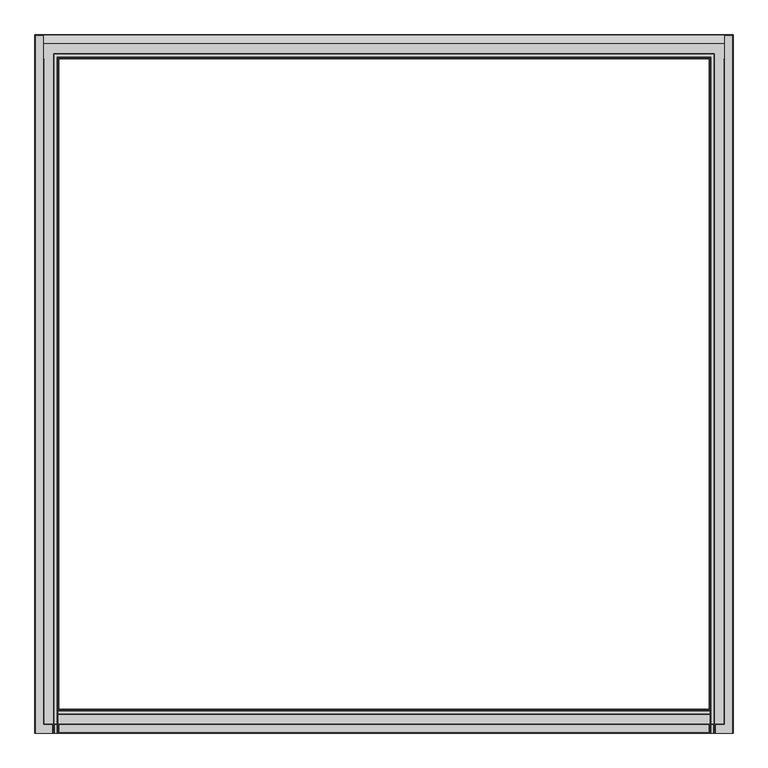
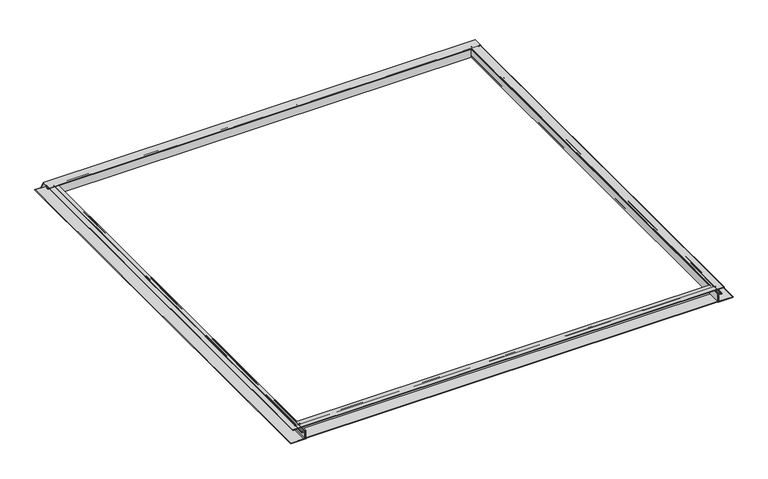
"""IFC4 building model written with IfcOpenShell, lengths in millimetres: fastener geometry."""

from ifc_helpers import new_model, si_unit, point, frame, frame_2d, origin, place, context, project, spatial, polyline, circle_curve, ellipse_curve, trimmed, segment, composite_curve, outline, extrude, source, transform, mapped, element, save
from ifc_brep_helpers import plane_surface, cylinder_surface, revolved_surface, advanced_brep


def fastener_543460bf(model_context):
    return source(origin(), model_context, "Body", "SolidModel", [
        advanced_brep(
        [(-1189.1053092, 1141.2343456, -2.667), (-1189.1053092, 1135.3165, -2.667), (-1189.1053092, 1135.3165, -1.3335), (-1189.1053092, 1135.3165, 0.0), (-1189.1053092, 1190.6451024, 0.0), (-1189.1053092, 1217.7515464, -46.9497383), (-1189.1053092, 1215.4418567, -48.2832383), (-1189.1053092, 1189.1053092, -2.667), (-1189.1053092, 1161.8308783, -2.667), (-1189.1053092, 1159.573508, -4.9243702), (-1189.1053092, 1159.573508, -14.2617849), (-1189.1053092, 1149.6719492, -14.2617849), (-1189.1053092, 1149.6719492, -12.2646442), (-1189.1053092, 1150.5032605, -12.2646442), (-1189.1053092, 1151.5117177, -11.256187), (-1189.1053092, 1151.5117177, -9.3645413), (-1189.1053092, 1156.2117258, -9.3645413), (-1189.1053092, 1156.2117258, -2.667), (-1189.1053092, 1152.1178999, -2.667), (-1189.1053092, 1151.9131963, -4.7080293), (-1189.1053092, 1152.9812344, -5.7760674), (-1189.1053092, 1152.5091166, -6.6975413), (-1189.1053092, 1140.8431289, -6.6975413), (-1189.1053092, 1140.3710112, -5.7760674), (-1189.1053092, 1141.4390493, -4.7080293), (1189.1053092, 1141.2343456, -2.667), (1189.1053092, 1141.4390493, -4.7080293), (1189.1053092, 1140.3710112, -5.7760674), (1189.1053092, 1140.8431289, -6.6975413), (1189.1053092, 1152.5091166, -6.6975413), (1189.1053092, 1152.9812344, -5.7760674), (1189.1053092, 1151.9131963, -4.7080293), (1189.1053092, 1152.1178999, -2.667), (1189.1053092, 1156.2117258, -2.667), (1189.1053092, 1156.2117258, -9.3645413), (1189.1053092, 1151.5117177, -9.3645413), (1189.1053092, 1151.5117177, -11.256187), (1189.1053092, 1150.5032605, -12.2646442), (1189.1053092, 1149.6719492, -12.2646442), (1189.1053092, 1149.6719492, -14.2617849), (1189.1053092, 1159.573508, -14.2617849), (1189.1053092, 1159.573508, -4.9243702), (1189.1053092, 1161.8308783, -2.667), (1189.1053092, 1189.1053092, -2.667), (1189.1053092, 1215.4418567, -48.2832383), (1189.1053092, 1217.7515464, -46.9497383), (1189.1053092, 1190.6451024, 0.0), (1189.1053092, 1135.3165, 0.0), (1189.1053092, 1135.3165, -1.3335), (1189.1053092, 1135.3165, -2.667), (1187.7718092, 1135.3165, -2.667), (1187.7718092, -1187.7718092, -2.667), (-1187.7718092, -1187.7718092, -2.667), (-1187.7718092, 1135.3165, -2.667), (1135.3165, 1135.3165, -2.667), (-1135.3165, 1135.3165, -2.667), (-1135.3165, -1135.3165, -2.667), (1135.3165, -1135.3165, -2.667), (-1141.2160631, 1135.3165, -2.667), (-1152.1361825, 1135.3165, -2.667), (-1152.1361825, -1152.1361825, -2.667), (1152.1361825, -1152.1361825, -2.667), (1152.1361825, 1135.3165, -2.667), (1141.2160631, 1135.3165, -2.667), (1141.2160631, -1141.2160631, -2.667), (-1141.2160631, -1141.2160631, -2.667), (-1156.2117258, 1135.3165, -2.667), (-1161.8308783, 1135.3165, -2.667), (-1161.8308783, -1161.8308783, -2.667), (1161.8308783, -1161.8308783, -2.667), (1161.8308783, 1135.3165, -2.667), (1156.2117258, 1135.3165, -2.667), (1156.2117258, -1156.2117258, -2.667), (-1156.2117258, -1156.2117258, -2.667), (-1187.7718092, 1135.3165, 0.0), (1187.7718092, 1135.3165, 0.0), (1135.3165, 1135.3165, 0.0), (-1135.3165, 1135.3165, 0.0), (-1187.7718092, -1187.7718092, 0.0), (1187.7718092, -1187.7718092, 0.0), (1135.3165, -1135.3165, 0.0), (-1135.3165, -1135.3165, 0.0), (-1141.4390493, 1135.3165, -4.7199355), (-1140.3710112, 1135.3165, -5.7879736), (-1140.8431289, 1135.3165, -6.7094475), (-1152.5091166, 1135.3165, -6.7094475), (-1152.9812344, 1135.3165, -5.7879736), (-1151.9131963, 1135.3165, -4.7199355), (-1156.2117258, 1135.3165, -9.3764475), (-1151.5117177, 1135.3165, -9.3764475), (-1151.5117177, 1135.3165, -11.2680933), (-1150.5032605, 1135.3165, -12.2765504), (-1149.6719492, 1135.3165, -12.2765504), (-1149.6719492, 1135.3165, -14.2617849), (-1159.573508, 1135.3165, -14.2617849), (-1159.573508, 1135.3165, -4.9243702), (-1141.4390493, -1141.4390493, -4.7199355), (-1140.3710112, -1140.3710112, -5.7879736), (-1140.8431289, -1140.8431289, -6.7094475), (1140.8431289, -1140.8431289, -6.7094475), (1140.8431289, 1135.3165, -6.7094475), (1152.5091166, 1135.3165, -6.7094475), (1152.5091166, -1152.5091166, -6.7094475), (-1152.5091166, -1152.5091166, -6.7094475), (-1152.9812344, -1152.9812344, -5.7879736), (-1151.9131963, -1151.9131963, -4.7199355), (-1156.2117258, -1156.2117258, -9.3764475), (1156.2117258, -1156.2117258, -9.3764475), (1156.2117258, 1135.3165, -9.3764475), (1151.5117177, 1135.3165, -9.3764475), (1151.5117177, -1151.5117177, -9.3764475), (-1151.5117177, -1151.5117177, -9.3764475), (-1151.5117177, -1151.5117177, -11.2680933), (-1150.5032605, -1150.5032605, -12.2765504), (1150.5032605, -1150.5032605, -12.2765504), (1150.5032605, 1135.3165, -12.2765504), (1149.6719492, 1135.3165, -12.2765504), (1149.6719492, -1149.6719492, -12.2765504), (-1149.6719492, -1149.6719492, -12.2765504), (-1149.6719492, -1149.6719492, -14.2617849), (1149.6719492, -1149.6719492, -14.2617849), (1149.6719492, 1135.3165, -14.2617849), (1159.573508, 1135.3165, -14.2617849), (1159.573508, -1159.573508, -14.2617849), (-1159.573508, -1159.573508, -14.2617849), (-1159.573508, -1159.573508, -4.9243702), (1141.4390493, -1141.4390493, -4.7199355), (1140.3710112, -1140.3710112, -5.7879736), (1152.9812344, -1152.9812344, -5.7879736), (1151.9131963, -1151.9131963, -4.7199355), (1151.5117177, -1151.5117177, -11.2680933), (1159.573508, -1159.573508, -4.9243702), (1140.3710112, 1135.3165, -5.7879736), (1141.4390493, 1135.3165, -4.7199355), (1151.9131963, 1135.3165, -4.7199355), (1152.9812344, 1135.3165, -5.7879736), (1159.573508, 1135.3165, -4.9243702), (1151.5117177, 1135.3165, -11.2680933)],
        [
            (0, 1),
            (1, 2),
            (2, 3),
            (3, 4),
            (4, 5),
            (5, 6),
            (6, 7),
            (7, 8),
            (8, 9, circle_curve(frame((-1189.1053092, 1161.8308783, -4.9243702), z_axis=(1.0, 0.0, 0.0), x_axis=(0.0, 1.0, 0.0)), 2.2573702)),
            (9, 10),
            (10, 11),
            (11, 12, circle_curve(frame((-1189.1053092, 1149.6719492, -13.2632145), z_axis=(-1.0, 0.0, 0.0), x_axis=(0.0, 1.0, 0.0)), 0.9985703)),
            (12, 13),
            (13, 14, circle_curve(frame((-1189.1053092, 1150.5032605, -11.256187), z_axis=(1.0, 0.0, 0.0), x_axis=(0.0, 1.0, 0.0)), 1.0084572)),
            (14, 15),
            (15, 16),
            (16, 17),
            (17, 18),
            (18, 19, circle_curve(frame((-1189.1053092, 1152.8500183, -3.7712073), z_axis=(1.0, 0.0, 0.0), x_axis=(0.0, 1.0, 0.0)), 1.3248664)),
            (19, 20),
            (20, 21, circle_curve(frame((-1189.1053092, 1152.5091166, -6.1158594), z_axis=(-1.0, 0.0, 0.0), x_axis=(0.0, 1.0, 0.0)), 0.5816819)),
            (21, 22),
            (22, 23, circle_curve(frame((-1189.1053092, 1140.8431289, -6.1158594), z_axis=(-1.0, 0.0, 0.0), x_axis=(0.0, 1.0, 0.0)), 0.5816819)),
            (23, 24),
            (24, 0, circle_curve(frame((-1189.1053092, 1140.5022273, -3.7712073), z_axis=(1.0, 0.0, 0.0), x_axis=(0.0, 1.0, 0.0)), 1.3248664)),
            (25, 26, circle_curve(frame((1189.1053092, 1140.5022273, -3.7712073), z_axis=(-1.0, 0.0, 0.0), x_axis=(0.0, 1.0, 0.0)), 1.3248664)),
            (26, 27),
            (27, 28, circle_curve(frame((1189.1053092, 1140.8431289, -6.1158594), z_axis=(1.0, 0.0, 0.0), x_axis=(0.0, 1.0, 0.0)), 0.5816819)),
            (28, 29),
            (29, 30, circle_curve(frame((1189.1053092, 1152.5091166, -6.1158594), z_axis=(1.0, 0.0, 0.0), x_axis=(0.0, 1.0, 0.0)), 0.5816819)),
            (30, 31),
            (31, 32, circle_curve(frame((1189.1053092, 1152.8500183, -3.7712073), z_axis=(-1.0, 0.0, 0.0), x_axis=(0.0, 1.0, 0.0)), 1.3248664)),
            (32, 33),
            (33, 34),
            (34, 35),
            (35, 36),
            (36, 37, circle_curve(frame((1189.1053092, 1150.5032605, -11.256187), z_axis=(-1.0, 0.0, 0.0), x_axis=(0.0, 1.0, 0.0)), 1.0084572)),
            (37, 38),
            (38, 39, circle_curve(frame((1189.1053092, 1149.6719492, -13.2632145), z_axis=(1.0, 0.0, 0.0), x_axis=(0.0, 1.0, 0.0)), 0.9985703)),
            (39, 40),
            (40, 41),
            (41, 42, circle_curve(frame((1189.1053092, 1161.8308783, -4.9243702), z_axis=(-1.0, 0.0, 0.0), x_axis=(0.0, 1.0, 0.0)), 2.2573702)),
            (42, 43),
            (43, 44),
            (44, 45),
            (45, 46),
            (46, 47),
            (47, 48),
            (48, 49),
            (49, 25),
            (0, 25),
            (49, 50),
            (50, 51),
            (51, 52),
            (52, 53),
            (53, 1),
            (54, 55),
            (55, 56),
            (56, 57),
            (57, 54),
            (58, 59),
            (59, 60),
            (60, 61),
            (61, 62),
            (62, 63),
            (63, 64),
            (64, 65),
            (65, 58),
            (66, 67),
            (67, 68),
            (68, 69),
            (69, 70),
            (70, 71),
            (71, 72),
            (72, 73),
            (73, 66),
            (53, 2, circle_curve(frame((-1187.7718092, 1135.3165, -1.3335), z_axis=(0.0, 1.0, 0.0), x_axis=(1.0, 0.0, 0.0)), 1.3335)),
            (2, 74, circle_curve(frame((-1187.7718092, 1135.3165, -1.3335), z_axis=(0.0, 1.0, 0.0), x_axis=(1.0, 0.0, 0.0)), 1.3335)),
            (74, 3),
            (47, 75),
            (75, 48, circle_curve(frame((1187.7718092, 1135.3165, -1.3335), z_axis=(0.0, 1.0, 0.0), x_axis=(-1.0, 0.0, 0.0)), 1.3335)),
            (48, 50, circle_curve(frame((1187.7718092, 1135.3165, -1.3335), z_axis=(0.0, 1.0, 0.0), x_axis=(-1.0, 0.0, 0.0)), 1.3335)),
            (54, 76),
            (76, 77),
            (77, 55),
            (74, 78),
            (78, 79),
            (79, 75),
            (46, 4),
            (76, 80),
            (80, 81),
            (81, 77),
            (45, 5),
            (44, 6),
            (43, 7),
            (42, 8),
            (41, 9),
            (40, 10),
            (39, 11),
            (38, 12),
            (37, 13),
            (36, 14),
            (35, 15),
            (34, 16),
            (33, 17),
            (32, 18),
            (19, 31),
            (30, 20),
            (29, 21),
            (28, 22),
            (27, 23),
            (26, 24),
            (58, 82, circle_curve(frame((-1140.5022273, 1135.3165, -3.7831135), z_axis=(0.0, -1.0, 0.0), x_axis=(1.0, 0.0, 0.0)), 1.3248664)),
            (82, 83),
            (83, 84, circle_curve(frame((-1140.8431289, 1135.3165, -6.1277656), z_axis=(0.0, 1.0, 0.0), x_axis=(1.0, 0.0, 0.0)), 0.5816819)),
            (84, 85),
            (85, 86, circle_curve(frame((-1152.5091166, 1135.3165, -6.1277656), z_axis=(0.0, 1.0, 0.0), x_axis=(1.0, 0.0, 0.0)), 0.5816819)),
            (86, 87),
            (87, 59, circle_curve(frame((-1152.8500183, 1135.3165, -3.7831135), z_axis=(0.0, -1.0, 0.0), x_axis=(1.0, 0.0, 0.0)), 1.3248664)),
            (66, 88),
            (88, 89),
            (89, 90),
            (90, 91, circle_curve(frame((-1150.5032605, 1135.3165, -11.2680933), z_axis=(0.0, -1.0, 0.0), x_axis=(1.0, 0.0, 0.0)), 1.0084572)),
            (91, 92),
            (92, 93, circle_curve(frame((-1149.6719492, 1135.3165, -13.2691676), z_axis=(0.0, 1.0, 0.0), x_axis=(1.0, 0.0, 0.0)), 0.9926172)),
            (93, 94),
            (94, 95),
            (95, 67, circle_curve(frame((-1161.8308783, 1135.3165, -4.9243702), z_axis=(0.0, -1.0, 0.0), x_axis=(1.0, 0.0, 0.0)), 2.2573702)),
            (65, 96, ellipse_curve(frame((-1140.5022273, -1140.5022273, -3.7831135), z_axis=(0.7071067811865475, -0.7071067811865475, 0.0), x_axis=(-0.7071067811865474, -0.7071067811865476, 0.0)), 1.873644, 1.3248664)),
            (96, 82),
            (96, 97),
            (97, 83),
            (97, 98, ellipse_curve(frame((-1140.8431289, -1140.8431289, -6.1277656), z_axis=(-0.7071067811865475, 0.7071067811865475, 0.0), x_axis=(0.7071067811865474, 0.7071067811865476, 0.0)), 0.8226224, 0.5816819)),
            (98, 84),
            (98, 99),
            (99, 100),
            (100, 101),
            (101, 102),
            (102, 103),
            (103, 85),
            (103, 104, ellipse_curve(frame((-1152.5091166, -1152.5091166, -6.1277656), z_axis=(-0.7071067811865475, 0.7071067811865475, 0.0), x_axis=(0.7071067811865474, 0.7071067811865476, 0.0)), 0.8226224, 0.5816819)),
            (104, 86),
            (104, 105),
            (105, 87),
            (105, 60, ellipse_curve(frame((-1152.8500183, -1152.8500183, -3.7831135), z_axis=(0.7071067811865475, -0.7071067811865475, 0.0), x_axis=(-0.7071067811865474, -0.7071067811865476, 0.0)), 1.873644, 1.3248664)),
            (73, 106),
            (106, 88),
            (106, 107),
            (107, 108),
            (108, 109),
            (109, 110),
            (110, 111),
            (111, 89),
            (111, 112),
            (112, 90),
            (112, 113, ellipse_curve(frame((-1150.5032605, -1150.5032605, -11.2680933), z_axis=(0.7071067811865475, -0.7071067811865475, 0.0), x_axis=(-0.7071067811865474, -0.7071067811865476, 0.0)), 1.4261738, 1.0084572)),
            (113, 91),
            (113, 114),
            (114, 115),
            (115, 116),
            (116, 117),
            (117, 118),
            (118, 92),
            (118, 119, ellipse_curve(frame((-1149.6719492, -1149.6719492, -13.2691676), z_axis=(-0.7071067811865475, 0.7071067811865475, 0.0), x_axis=(0.7071067811865474, 0.7071067811865476, 0.0)), 1.4037727, 0.9926172)),
            (119, 93),
            (119, 120),
            (120, 121),
            (121, 122),
            (122, 123),
            (123, 124),
            (124, 94),
            (124, 125),
            (125, 95),
            (125, 68, ellipse_curve(frame((-1161.8308783, -1161.8308783, -4.9243702), z_axis=(0.7071067811865475, -0.7071067811865475, 0.0), x_axis=(-0.7071067811865474, -0.7071067811865476, 0.0)), 3.1924036, 2.2573702)),
            (52, 78, ellipse_curve(frame((-1187.7718092, -1187.7718092, -1.3335), z_axis=(-0.7071067811865475, 0.7071067811865475, 0.0), x_axis=(0.7071067811865474, 0.7071067811865476, 0.0)), 1.8858538, 1.3335)),
            (81, 56),
            (64, 126, ellipse_curve(frame((1140.5022273, -1140.5022273, -3.7831135), z_axis=(0.7071067811865475, 0.7071067811865475, 0.0), x_axis=(0.7071067811865476, -0.7071067811865474, 0.0)), 1.873644, 1.3248664)),
            (126, 96),
            (126, 127),
            (127, 97),
            (127, 99, ellipse_curve(frame((1140.8431289, -1140.8431289, -6.1277656), z_axis=(-0.7071067811865475, -0.7071067811865475, 0.0), x_axis=(-0.7071067811865476, 0.7071067811865474, 0.0)), 0.8226224, 0.5816819)),
            (102, 128, ellipse_curve(frame((1152.5091166, -1152.5091166, -6.1277656), z_axis=(-0.7071067811865475, -0.7071067811865475, 0.0), x_axis=(-0.7071067811865476, 0.7071067811865474, 0.0)), 0.8226224, 0.5816819)),
            (128, 104),
            (128, 129),
            (129, 105),
            (129, 61, ellipse_curve(frame((1152.8500183, -1152.8500183, -3.7831135), z_axis=(0.7071067811865475, 0.7071067811865475, 0.0), x_axis=(0.7071067811865476, -0.7071067811865474, 0.0)), 1.873644, 1.3248664)),
            (72, 107),
            (110, 130),
            (130, 112),
            (130, 114, ellipse_curve(frame((1150.5032605, -1150.5032605, -11.2680933), z_axis=(0.7071067811865475, 0.7071067811865475, 0.0), x_axis=(0.7071067811865476, -0.7071067811865474, 0.0)), 1.4261738, 1.0084572)),
            (117, 120, ellipse_curve(frame((1149.6719492, -1149.6719492, -13.2691676), z_axis=(-0.7071067811865475, -0.7071067811865475, 0.0), x_axis=(-0.7071067811865476, 0.7071067811865474, 0.0)), 1.4037727, 0.9926172)),
            (123, 131),
            (131, 125),
            (131, 69, ellipse_curve(frame((1161.8308783, -1161.8308783, -4.9243702), z_axis=(0.7071067811865475, 0.7071067811865475, 0.0), x_axis=(0.7071067811865476, -0.7071067811865474, 0.0)), 3.1924036, 2.2573702)),
            (51, 79, ellipse_curve(frame((1187.7718092, -1187.7718092, -1.3335), z_axis=(-0.7071067811865475, -0.7071067811865475, 0.0), x_axis=(-0.7071067811865476, 0.7071067811865474, 0.0)), 1.8858538, 1.3335)),
            (80, 57),
            (100, 132, circle_curve(frame((1140.8431289, 1135.3165, -6.1277656), z_axis=(0.0, 1.0, 0.0), x_axis=(-1.0, 0.0, 0.0)), 0.5816819)),
            (132, 133),
            (133, 63, circle_curve(frame((1140.5022273, 1135.3165, -3.7831135), z_axis=(0.0, -1.0, 0.0), x_axis=(-1.0, 0.0, 0.0)), 1.3248664)),
            (62, 134, circle_curve(frame((1152.8500183, 1135.3165, -3.7831135), z_axis=(0.0, -1.0, 0.0), x_axis=(-1.0, 0.0, 0.0)), 1.3248664)),
            (134, 135),
            (135, 101, circle_curve(frame((1152.5091166, 1135.3165, -6.1277656), z_axis=(0.0, 1.0, 0.0), x_axis=(-1.0, 0.0, 0.0)), 0.5816819)),
            (108, 71),
            (70, 136, circle_curve(frame((1161.8308783, 1135.3165, -4.9243702), z_axis=(0.0, -1.0, 0.0), x_axis=(-1.0, 0.0, 0.0)), 2.2573702)),
            (136, 122),
            (121, 116, circle_curve(frame((1149.6719492, 1135.3165, -13.2691676), z_axis=(0.0, 1.0, 0.0), x_axis=(-1.0, 0.0, 0.0)), 0.9926172)),
            (115, 137, circle_curve(frame((1150.5032605, 1135.3165, -11.2680933), z_axis=(0.0, -1.0, 0.0), x_axis=(-1.0, 0.0, 0.0)), 1.0084572)),
            (137, 109),
            (133, 126),
            (132, 127),
            (135, 128),
            (134, 129),
            (137, 130),
            (136, 131),
        ],
        [
            plane_surface(frame((-1189.1053092, 1219.2, 0.0), z_axis=(-1.0, 0.0, 0.0), x_axis=(0.0, 0.0, 1.0))),
            plane_surface(frame((1189.1053092, 1219.2, 0.0), z_axis=(1.0, 0.0, 0.0), x_axis=(0.0, 0.0, 1.0))),
            plane_surface(frame((-1189.1053092, 1141.2343456, -2.667), z_axis=(0.0, 0.0, -1.0), x_axis=(1.0, 0.0, 0.0))),
            plane_surface(frame((-1189.1053092, 1135.3165, -2.667), z_axis=(0.0, -1.0, 0.0), x_axis=(1.0, 0.0, 0.0))),
            plane_surface(frame((-1189.1053092, 1135.3165, 0.0), z_axis=(0.0, 0.0, 1.0), x_axis=(1.0, 0.0, 0.0))),
            plane_surface(frame((-1189.1053092, 1190.6451024, 0.0), z_axis=(0.0, 0.8660254037844348, 0.5000000000000068), x_axis=(1.0, 0.0, 0.0))),
            plane_surface(frame((-1189.1053092, 1217.7515464, -46.9497383), z_axis=(0.0, 0.49999999999998035, -0.86602540378445), x_axis=(1.0, 0.0, 0.0))),
            plane_surface(frame((-1189.1053092, 1215.4418567, -48.2832383), z_axis=(0.0, -0.866025403784431, -0.5000000000000133), x_axis=(1.0, 0.0, 0.0))),
            plane_surface(frame((-1189.1053092, 1189.1053092, -2.667), z_axis=(0.0, 0.0, -1.0), x_axis=(1.0, 0.0, 0.0))),
            revolved_surface(polyline([(1189.1053092, 1164.0882485, -4.9243702), (-1189.1053092, 1164.0882485, -4.9243702)]), (-1189.1053092, 1161.8308783, -4.9243702), (1.0, 0.0, 0.0)),
            plane_surface(frame((-1189.1053092, 1159.573508, -4.9243702), z_axis=(0.0, 1.0, 0.0), x_axis=(1.0, 0.0, 0.0))),
            plane_surface(frame((-1189.1053092, 1159.573508, -14.2617849), z_axis=(0.0, 0.0, -1.0), x_axis=(1.0, 0.0, 0.0))),
            cylinder_surface(frame((-1189.1053092, 1149.6719492, -13.2632145), z_axis=(-1.0, 0.0, 0.0), x_axis=(0.0, 1.0, 0.0)), 0.9985703),
            plane_surface(frame((-1189.1053092, 1149.6719492, -12.2646442), z_axis=(0.0, 0.0, 1.0), x_axis=(1.0, 0.0, 0.0))),
            revolved_surface(polyline([(1189.1053092, 1151.5117177, -11.256187), (-1189.1053092, 1151.5117177, -11.256187)]), (-1189.1053092, 1150.5032605, -11.256187), (1.0, 0.0, 0.0)),
            plane_surface(frame((-1189.1053092, 1151.5117177, -11.256187), z_axis=(0.0, -1.0, 0.0), x_axis=(1.0, 0.0, 0.0))),
            plane_surface(frame((-1189.1053092, 1151.5117177, -9.3645413), z_axis=(0.0, 0.0, 1.0), x_axis=(1.0, 0.0, 0.0))),
            plane_surface(frame((-1189.1053092, 1156.2117258, -9.3645413), z_axis=(0.0, -1.0, 0.0), x_axis=(1.0, 0.0, 0.0))),
            plane_surface(frame((-1189.1053092, 1156.2117258, -2.667), z_axis=(0.0, 0.0, -1.0), x_axis=(1.0, 0.0, 0.0))),
            plane_surface(frame((-1189.1053092, 1151.9131963, -4.7080293), z_axis=(0.0, 0.7071067811859371, 0.7071067811871581), x_axis=(1.0, 0.0, 0.0))),
            cylinder_surface(frame((-1189.1053092, 1152.5091166, -6.1158594), z_axis=(-1.0, 0.0, 0.0), x_axis=(0.0, 1.0, 0.0)), 0.5816819),
            plane_surface(frame((-1189.1053092, 1152.5091166, -6.6975413), z_axis=(0.0, 0.0, -1.0), x_axis=(1.0, 0.0, 0.0))),
            cylinder_surface(frame((-1189.1053092, 1140.8431289, -6.1158594), z_axis=(-1.0, 0.0, 0.0), x_axis=(0.0, 1.0, 0.0)), 0.5816819),
            plane_surface(frame((-1189.1053092, 1140.3710112, -5.7760674), z_axis=(0.0, -0.7071067811859483, 0.7071067811871469), x_axis=(1.0, 0.0, 0.0))),
            revolved_surface(polyline([(1189.1053092, 1154.1748847000001, -3.7712073), (-1189.1053092, 1154.1748847000001, -3.7712073)]), (-1189.1053092, 1152.8500183, -3.7712073), (1.0, 0.0, 0.0)),
            revolved_surface(polyline([(1189.1053092, 1141.8270937, -3.7712073), (-1189.1053092, 1141.8270937, -3.7712073)]), (-1189.1053092, 1140.5022273, -3.7712073), (1.0, 0.0, 0.0)),
            plane_surface(frame((-1219.2, 1135.3165, 0.0), z_axis=(0.0, 1.0, 0.0), x_axis=(0.0, 0.0, 1.0))),
            revolved_surface(polyline([(-1139.1773609, -1141.8270936779295, -3.7831135), (-1139.1773609, 1135.3165, -3.7831135)]), (-1140.5022273, 1135.3165, -3.7831135), (0.0, -1.0, 0.0)),
            plane_surface(frame((-1141.4390493, 1135.3165, -4.7199355), z_axis=(0.7071067811858979, 0.0, 0.7071067811871973), x_axis=(0.0, -1.0, 0.0))),
            cylinder_surface(frame((-1140.8431289, 1135.3165, -6.1277656), z_axis=(0.0, 1.0, 0.0), x_axis=(1.0, 0.0, 0.0)), 0.5816819),
            plane_surface(frame((-1140.8431289, 1135.3165, -6.7094475), z_axis=(0.0, 0.0, -1.0), x_axis=(0.0, -1.0, 0.0))),
            cylinder_surface(frame((-1152.5091166, 1135.3165, -6.1277656), z_axis=(0.0, 1.0, 0.0), x_axis=(1.0, 0.0, 0.0)), 0.5816819),
            plane_surface(frame((-1152.9812344, 1135.3165, -5.7879736), z_axis=(-0.7071067811864243, 0.0, 0.7071067811866707), x_axis=(0.0, -1.0, 0.0))),
            revolved_surface(polyline([(-1151.5251519, -1154.1748846779296, -3.7831135), (-1151.5251519, 1135.3165, -3.7831135)]), (-1152.8500183, 1135.3165, -3.7831135), (0.0, -1.0, 0.0)),
            plane_surface(frame((-1156.2117258, 1135.3165, -2.667), z_axis=(1.0, 0.0, 0.0), x_axis=(0.0, -1.0, 0.0))),
            plane_surface(frame((-1156.2117258, 1135.3165, -9.3764475), z_axis=(0.0, 0.0, 1.0), x_axis=(0.0, -1.0, 0.0))),
            plane_surface(frame((-1151.5117177, 1135.3165, -9.3764475), z_axis=(1.0, 0.0, 0.0), x_axis=(0.0, -1.0, 0.0))),
            revolved_surface(polyline([(-1149.4948032999998, -1151.5117177000002, -11.2680933), (-1149.4948032999998, 1135.3165, -11.2680933)]), (-1150.5032605, 1135.3165, -11.2680933), (0.0, -1.0, 0.0)),
            plane_surface(frame((-1150.5032605, 1135.3165, -12.2765504), z_axis=(0.0, 0.0, 1.0), x_axis=(0.0, -1.0, 0.0))),
            cylinder_surface(frame((-1149.6719492, 1135.3165, -13.2691676), z_axis=(0.0, 1.0, 0.0), x_axis=(1.0, 0.0, 0.0)), 0.9926172),
            plane_surface(frame((-1149.6719492, 1135.3165, -14.2617849), z_axis=(0.0, 0.0, -1.0), x_axis=(0.0, -1.0, 0.0))),
            plane_surface(frame((-1159.573508, 1135.3165, -14.2617849), z_axis=(-1.0, 0.0, 0.0), x_axis=(0.0, -1.0, 0.0))),
            revolved_surface(polyline([(-1159.5735081, -1164.0882485338448, -4.9243702), (-1159.5735081, 1135.3165, -4.9243702)]), (-1161.8308783, 1135.3165, -4.9243702), (0.0, -1.0, 0.0)),
            cylinder_surface(frame((-1187.7718092, 1135.3165, -1.3335), z_axis=(0.0, 1.0, 0.0), x_axis=(1.0, 0.0, 0.0)), 1.3335),
            plane_surface(frame((-1135.3165, 1135.3165, 0.0), z_axis=(1.0, 0.0, 0.0), x_axis=(0.0, -1.0, 0.0))),
            revolved_surface(polyline([(1141.8270936779297, -1139.1773609, -3.7831135), (-1141.8270936779295, -1139.1773609, -3.7831135)]), (-1219.2, -1140.5022273, -3.7831135), (1.0, 0.0, 0.0)),
            plane_surface(frame((-1141.4390493, -1141.4390493, -4.7199355), z_axis=(0.0, 0.7071067811858979, 0.7071067811871973), x_axis=(1.0, 0.0, 0.0))),
            cylinder_surface(frame((-1219.2, -1140.8431289, -6.1277656), z_axis=(-1.0, 0.0, 0.0), x_axis=(0.0, 1.0, 0.0)), 0.5816819),
            cylinder_surface(frame((-1219.2, -1152.5091166, -6.1277656), z_axis=(-1.0, 0.0, 0.0), x_axis=(0.0, 1.0, 0.0)), 0.5816819),
            plane_surface(frame((-1152.9812344, -1152.9812344, -5.7879736), z_axis=(0.0, -0.7071067811864243, 0.7071067811866707), x_axis=(1.0, 0.0, 0.0))),
            revolved_surface(polyline([(1154.1748846779299, -1151.5251519, -3.7831135), (-1154.1748846779296, -1151.5251519, -3.7831135)]), (-1219.2, -1152.8500183, -3.7831135), (1.0, 0.0, 0.0)),
            plane_surface(frame((-1156.2117258, -1156.2117258, -2.667), z_axis=(0.0, 1.0, 0.0), x_axis=(1.0, 0.0, 0.0))),
            plane_surface(frame((-1151.5117177, -1151.5117177, -9.3764475), z_axis=(0.0, 1.0, 0.0), x_axis=(1.0, 0.0, 0.0))),
            revolved_surface(polyline([(1151.5117177, -1149.4948032999998, -11.2680933), (-1151.5117177, -1149.4948032999998, -11.2680933)]), (-1219.2, -1150.5032605, -11.2680933), (1.0, 0.0, 0.0)),
            cylinder_surface(frame((-1219.2, -1149.6719492, -13.2691676), z_axis=(-1.0, 0.0, 0.0), x_axis=(0.0, 1.0, 0.0)), 0.9926172),
            plane_surface(frame((-1159.573508, -1159.573508, -14.2617849), z_axis=(0.0, -1.0, 0.0), x_axis=(1.0, 0.0, 0.0))),
            revolved_surface(polyline([(1164.0882485338445, -1159.5735081, -4.9243702), (-1164.0882485338443, -1159.5735081, -4.9243702)]), (-1219.2, -1161.8308783, -4.9243702), (1.0, 0.0, 0.0)),
            cylinder_surface(frame((-1219.2, -1187.7718092, -1.3335), z_axis=(-1.0, 0.0, 0.0), x_axis=(0.0, 1.0, 0.0)), 1.3335),
            plane_surface(frame((-1135.3165, -1135.3165, 0.0), z_axis=(0.0, 1.0, 0.0), x_axis=(1.0, 0.0, 0.0))),
            plane_surface(frame((1219.2, 1135.3165, 0.0), z_axis=(0.0, 1.0, 0.0), x_axis=(0.0, 0.0, 1.0))),
            revolved_surface(polyline([(1139.1773609, 1135.3164999999997, -3.7831135), (1139.1773609, -1141.8270936779295, -3.7831135)]), (1140.5022273, -1219.2, -3.7831135), (0.0, 1.0, 0.0)),
            plane_surface(frame((1141.4390493, -1141.4390493, -4.7199355), z_axis=(-0.7071067811858979, 0.0, 0.7071067811871973), x_axis=(0.0, 1.0, 0.0))),
            cylinder_surface(frame((1140.8431289, -1219.2, -6.1277656), z_axis=(0.0, -1.0, 0.0), x_axis=(-1.0, 0.0, 0.0)), 0.5816819),
            cylinder_surface(frame((1152.5091166, -1219.2, -6.1277656), z_axis=(0.0, -1.0, 0.0), x_axis=(-1.0, 0.0, 0.0)), 0.5816819),
            plane_surface(frame((1152.9812344, -1152.9812344, -5.7879736), z_axis=(0.7071067811864243, 0.0, 0.7071067811866707), x_axis=(0.0, 1.0, 0.0))),
            revolved_surface(polyline([(1151.5251519, 1135.3164999999997, -3.7831135), (1151.5251519, -1154.1748846779296, -3.7831135)]), (1152.8500183, -1219.2, -3.7831135), (0.0, 1.0, 0.0)),
            plane_surface(frame((1156.2117258, -1156.2117258, -2.667), z_axis=(-1.0, 0.0, 0.0), x_axis=(0.0, 1.0, 0.0))),
            plane_surface(frame((1151.5117177, -1151.5117177, -9.3764475), z_axis=(-1.0, 0.0, 0.0), x_axis=(0.0, 1.0, 0.0))),
            revolved_surface(polyline([(1149.4948032999998, 1135.3164999999997, -11.2680933), (1149.4948032999998, -1151.5117177, -11.2680933)]), (1150.5032605, -1219.2, -11.2680933), (0.0, 1.0, 0.0)),
            cylinder_surface(frame((1149.6719492, -1219.2, -13.2691676), z_axis=(0.0, -1.0, 0.0), x_axis=(-1.0, 0.0, 0.0)), 0.9926172),
            plane_surface(frame((1159.573508, -1159.573508, -14.2617849), z_axis=(1.0, 0.0, 0.0), x_axis=(0.0, 1.0, 0.0))),
            revolved_surface(polyline([(1159.5735081, 1135.3164999999997, -4.9243702), (1159.5735081, -1164.0882485338443, -4.9243702)]), (1161.8308783, -1219.2, -4.9243702), (0.0, 1.0, 0.0)),
            cylinder_surface(frame((1187.7718092, -1219.2, -1.3335), z_axis=(0.0, -1.0, 0.0), x_axis=(-1.0, 0.0, 0.0)), 1.3335),
            plane_surface(frame((1135.3165, -1135.3165, 0.0), z_axis=(-1.0, 0.0, 0.0), x_axis=(0.0, 1.0, 0.0))),
        ],
        [
            (0, [[1, 2, 3, 4, 5, 6, 7, 8, 9, 10, 11, 12, 13, 14, 15, 16, 17, 18, 19, 20, 21, 22, 23, 24, 25]]),
            (1, [[26, 27, 28, 29, 30, 31, 32, 33, 34, 35, 36, 37, 38, 39, 40, 41, 42, 43, 44, 45, 46, 47, 48, 49, 50]]),
            (2, [[-1, 51, -50, 52, 53, 54, 55, 56], [57, 58, 59, 60], [61, 62, 63, 64, 65, 66, 67, 68], [69, 70, 71, 72, 73, 74, 75, 76]]),
            (3, [[-2, -56, 77]]),
            (3, [[-3, 78, 79]]),
            (3, [[-48, 80, 81]]),
            (3, [[-49, 82, -52]]),
            (3, [[-57, 83, 84, 85]]),
            (4, [[-4, -79, 86, 87, 88, -80, -47, 89], [-84, 90, 91, 92]]),
            (5, [[-5, -89, -46, 93]]),
            (6, [[-6, -93, -45, 94]]),
            (7, [[-7, -94, -44, 95]]),
            (8, [[-8, -95, -43, 96]]),
            (9, [[-9, -96, -42, 97]]),
            (10, [[-10, -97, -41, 98]]),
            (11, [[-11, -98, -40, 99]]),
            (12, [[-12, -99, -39, 100]]),
            (13, [[-13, -100, -38, 101]]),
            (14, [[-14, -101, -37, 102]]),
            (15, [[-15, -102, -36, 103]]),
            (16, [[-16, -103, -35, 104]]),
            (17, [[-17, -104, -34, 105]]),
            (18, [[-18, -105, -33, 106]]),
            (19, [[-20, 107, -31, 108]]),
            (20, [[-21, -108, -30, 109]]),
            (21, [[-22, -109, -29, 110]]),
            (22, [[-23, -110, -28, 111]]),
            (23, [[-24, -111, -27, 112]]),
            (24, [[-19, -106, -32, -107]]),
            (25, [[-25, -112, -26, -51]]),
            (26, [[113, 114, 115, 116, 117, 118, 119, -61]]),
            (26, [[120, 121, 122, 123, 124, 125, 126, 127, 128, -69]]),
            (27, [[-113, -68, 129, 130]]),
            (28, [[-114, -130, 131, 132]]),
            (29, [[-115, -132, 133, 134]]),
            (30, [[-116, -134, 135, 136, 137, 138, 139, 140]]),
            (31, [[-117, -140, 141, 142]]),
            (32, [[-118, -142, 143, 144]]),
            (33, [[-119, -144, 145, -62]]),
            (34, [[-120, -76, 146, 147]]),
            (35, [[-121, -147, 148, 149, 150, 151, 152, 153]]),
            (36, [[-122, -153, 154, 155]]),
            (37, [[-123, -155, 156, 157]]),
            (38, [[-124, -157, 158, 159, 160, 161, 162, 163]]),
            (39, [[-125, -163, 164, 165]]),
            (40, [[-126, -165, 166, 167, 168, 169, 170, 171]]),
            (41, [[-127, -171, 172, 173]]),
            (42, [[-128, -173, 174, -70]]),
            (43, [[-55, 175, -86, -78, -77]]),
            (44, [[-92, 176, -58, -85]]),
            (45, [[-129, -67, 177, 178]]),
            (46, [[-131, -178, 179, 180]]),
            (47, [[-133, -180, 181, -135]]),
            (48, [[-139, 182, 183, -141]]),
            (49, [[-143, -183, 184, 185]]),
            (50, [[-145, -185, 186, -63]]),
            (51, [[-75, 187, -148, -146]]),
            (52, [[-152, 188, 189, -154]]),
            (53, [[-156, -189, 190, -158]]),
            (54, [[-162, 191, -166, -164]]),
            (55, [[-170, 192, 193, -172]]),
            (56, [[-174, -193, 194, -71]]),
            (57, [[-54, 195, -87, -175]]),
            (58, [[-91, 196, -59, -176]]),
            (59, [[-137, 197, 198, 199, -65, 200, 201, 202]]),
            (59, [[-150, 203, -73, 204, 205, -168, 206, -160, 207, 208]]),
            (60, [[-66, -199, 209, -177]]),
            (61, [[-179, -209, -198, 210]]),
            (62, [[-136, -181, -210, -197]]),
            (63, [[-138, -202, 211, -182]]),
            (64, [[-184, -211, -201, 212]]),
            (65, [[-64, -186, -212, -200]]),
            (66, [[-74, -203, -149, -187]]),
            (67, [[-151, -208, 213, -188]]),
            (68, [[-159, -190, -213, -207]]),
            (69, [[-161, -206, -167, -191]]),
            (70, [[-169, -205, 214, -192]]),
            (71, [[-72, -194, -214, -204]]),
            (72, [[-53, -82, -81, -88, -195]]),
            (73, [[-90, -83, -60, -196]]),
        ],
    ),
        extrude(outline(composite_curve([segment(polyline([(-1135.3165, -2.6789063), (-1135.3165, -50.8), (-1217.8665, -50.8)]), True, "CONTINUOUS"), segment(trimmed(circle_curve(frame_2d((-1217.8665, -49.4665)), 1.3335), [point((-1217.8665, -50.8))], [point((-1217.8665, -48.133))], False, "CARTESIAN"), True, "CONTINUOUS"), segment(polyline([(-1217.8665, -48.133), (-1145.5344517, -48.133)]), True, "CONTINUOUS"), segment(trimmed(circle_curve(frame_2d((-1145.5344517, -40.5820483)), 7.5509517), [point((-1145.5344517, -48.133))], [point((-1137.9835, -40.5820483))], True, "CARTESIAN"), True, "CONTINUOUS"), segment(polyline([(-1137.9835, -40.5820483), (-1137.9835, -9.3764475), (-1156.2117258, -9.3764475), (-1156.2117258, -2.6789063), (-1152.1178999, -2.6789063)]), True, "CONTINUOUS"), segment(trimmed(circle_curve(frame_2d((-1152.8274757, -3.7709454)), 1.3023238), [point((-1152.1178999, -2.6789063))], [point((-1151.9131963, -4.698383))], False, "CARTESIAN"), True, "CONTINUOUS"), segment(polyline([(-1151.9131963, -4.698383), (-1152.9649499, -5.7664211)]), True, "CONTINUOUS"), segment(trimmed(circle_curve(frame_2d((-1152.5091166, -6.1277656)), 0.5816819), [point((-1152.9649499, -5.7664211))], [point((-1152.5091166, -6.7094475))], True, "CARTESIAN"), True, "CONTINUOUS"), segment(polyline([(-1152.5091166, -6.7094475), (-1140.8594568, -6.7094475)]), True, "CONTINUOUS"), segment(trimmed(circle_curve(frame_2d((-1140.8594568, -6.1114378)), 0.5980097), [point((-1140.8594568, -6.7094475))], [point((-1140.3710112, -5.7664211))], True, "CARTESIAN"), True, "CONTINUOUS"), segment(polyline([(-1140.3710112, -5.7664211), (-1141.460117, -4.698383)]), True, "CONTINUOUS"), segment(trimmed(circle_curve(frame_2d((-1140.5022273, -3.7831135)), 1.3248664), [point((-1141.460117, -4.698383))], [point((-1141.2343456, -2.6789063))], False, "CARTESIAN"), True, "CONTINUOUS"), segment(polyline([(-1141.2343456, -2.6789063), (-1135.3165, -2.6789063)]), True, "CONTINUOUS")], self_intersect=False)), frame((-1135.3165, 0.0, 0.0), z_axis=(1.0, 0.0, 0.0), x_axis=(0.0, 1.0, 0.0)), (0.0, 0.0, 1.0), 2270.633),
        advanced_brep(
        [(-1135.3165, -1219.2, -2.6789063), (-1141.2343456, -1219.2, -2.6789063), (-1141.460117, -1219.2, -4.698383), (-1140.3710112, -1219.2, -5.7664211), (-1140.8594568, -1219.2, -6.7094475), (-1152.5091166, -1219.2, -6.7094475), (-1152.9649499, -1219.2, -5.7664211), (-1151.9131963, -1219.2, -4.698383), (-1152.1178999, -1219.2, -2.6789063), (-1156.2117258, -1219.2, -2.6789063), (-1156.2117258, -1219.2, -9.3764475), (-1137.9835, -1219.2, -9.3764475), (-1137.9835, -1219.2, -40.5820483), (-1145.5344517, -1219.2, -48.133), (-1217.8665, -1219.2, -48.133), (-1217.8665, -1219.2, -50.8), (-1135.3165, -1219.2, -50.8), (1135.3165, -1219.2, -2.6789063), (1135.3165, -1219.2, -50.8), (1217.8665, -1219.2, -50.8), (1217.8665, -1219.2, -48.133), (1145.5344517, -1219.2, -48.133), (1137.9835, -1219.2, -40.5820483), (1137.9835, -1219.2, -9.3764475), (1156.2117258, -1219.2, -9.3764475), (1156.2117258, -1219.2, -2.6789063), (1152.1178999, -1219.2, -2.6789063), (1151.9131963, -1219.2, -4.698383), (1152.9649499, -1219.2, -5.7664211), (1152.5091166, -1219.2, -6.7094475), (1140.8594568, -1219.2, -6.7094475), (1140.3710112, -1219.2, -5.7664211), (1141.460117, -1219.2, -4.698383), (1141.2343456, -1219.2, -2.6789063), (-1141.460117, 1141.460117, -4.698383), (-1141.2343456, 1141.2343456, -2.6789063), (1141.2343456, 1141.2343456, -2.6789063), (1141.460117, 1141.460117, -4.698383), (-1140.3710112, 1140.3710112, -5.7664211), (1140.3710112, 1140.3710112, -5.7664211), (-1140.8594568, 1140.8594568, -6.7094475), (1140.8594568, 1140.8594568, -6.7094475), (-1152.9649499, 1152.9649499, -5.7664211), (-1152.5091166, 1152.5091166, -6.7094475), (1152.5091166, 1152.5091166, -6.7094475), (1152.9649499, 1152.9649499, -5.7664211), (-1151.9131963, 1151.9131963, -4.698383), (1151.9131963, 1151.9131963, -4.698383), (-1152.1178999, 1152.1178999, -2.6789063), (1152.1178999, 1152.1178999, -2.6789063), (-1156.2117258, 1156.2117258, -9.3764475), (-1156.2117258, 1156.2117258, -2.6789063), (1156.2117258, 1156.2117258, -2.6789063), (1156.2117258, 1156.2117258, -9.3764475), (-1137.9835, 1137.9835, -40.5820483), (-1137.9835, 1137.9835, -9.3764475), (1137.9835, 1137.9835, -9.3764475), (1137.9835, 1137.9835, -40.5820483), (-1145.5344517, 1145.5344517, -48.133), (1145.5344517, 1145.5344517, -48.133), (-1217.8665, 1217.8665, -50.8), (-1217.8665, 1217.8665, -48.133), (1217.8665, 1217.8665, -48.133), (1217.8665, 1217.8665, -50.8), (-1135.3165, 1135.3165, -2.6789063), (-1135.3165, 1135.3165, -50.8), (1135.3165, 1135.3165, -50.8), (1135.3165, 1135.3165, -2.6789063)],
        [
            (0, 1),
            (1, 2, circle_curve(frame((-1140.5022273, -1219.2, -3.7831135), z_axis=(0.0, -1.0, 0.0), x_axis=(-1.0, 0.0, 0.0)), 1.3248664)),
            (2, 3),
            (3, 4, circle_curve(frame((-1140.8594568, -1219.2, -6.1114378), z_axis=(0.0, 1.0, 0.0), x_axis=(-1.0, 0.0, 0.0)), 0.5980097)),
            (4, 5),
            (5, 6, circle_curve(frame((-1152.5091166, -1219.2, -6.1277656), z_axis=(0.0, 1.0, 0.0), x_axis=(-1.0, 0.0, 0.0)), 0.5816819)),
            (6, 7),
            (7, 8, circle_curve(frame((-1152.8274757, -1219.2, -3.7709454), z_axis=(0.0, -1.0, 0.0), x_axis=(-1.0, 0.0, 0.0)), 1.3023238)),
            (8, 9),
            (9, 10),
            (10, 11),
            (11, 12),
            (12, 13, circle_curve(frame((-1145.5344517, -1219.2, -40.5820483), z_axis=(0.0, 1.0, 0.0), x_axis=(-1.0, 0.0, 0.0)), 7.5509517)),
            (13, 14),
            (14, 15, circle_curve(frame((-1217.8665, -1219.2, -49.4665), z_axis=(0.0, -1.0, 0.0), x_axis=(-1.0, 0.0, 0.0)), 1.3335)),
            (15, 16),
            (16, 0),
            (17, 18),
            (18, 19),
            (19, 20, circle_curve(frame((1217.8665, -1219.2, -49.4665), z_axis=(0.0, -1.0, 0.0), x_axis=(1.0, 0.0, 0.0)), 1.3335)),
            (20, 21),
            (21, 22, circle_curve(frame((1145.5344517, -1219.2, -40.5820483), z_axis=(0.0, 1.0, 0.0), x_axis=(1.0, 0.0, 0.0)), 7.5509517)),
            (22, 23),
            (23, 24),
            (24, 25),
            (25, 26),
            (26, 27, circle_curve(frame((1152.8274757, -1219.2, -3.7709454), z_axis=(0.0, -1.0, 0.0), x_axis=(1.0, 0.0, 0.0)), 1.3023238)),
            (27, 28),
            (28, 29, circle_curve(frame((1152.5091166, -1219.2, -6.1277656), z_axis=(0.0, 1.0, 0.0), x_axis=(1.0, 0.0, 0.0)), 0.5816819)),
            (29, 30),
            (30, 31, circle_curve(frame((1140.8594568, -1219.2, -6.1114378), z_axis=(0.0, 1.0, 0.0), x_axis=(1.0, 0.0, 0.0)), 0.5980097)),
            (31, 32),
            (32, 33, circle_curve(frame((1140.5022273, -1219.2, -3.7831135), z_axis=(0.0, -1.0, 0.0), x_axis=(1.0, 0.0, 0.0)), 1.3248664)),
            (33, 17),
            (34, 35, ellipse_curve(frame((-1140.5022273, 1140.5022273, -3.7831135), z_axis=(0.7071067811865475, 0.7071067811865475, 0.0), x_axis=(-0.7071067811865476, 0.7071067811865474, 0.0)), 1.873644, 1.3248664)),
            (35, 36),
            (36, 37, ellipse_curve(frame((1140.5022273, 1140.5022273, -3.7831135), z_axis=(-0.7071067811865475, 0.7071067811865475, 0.0), x_axis=(-0.7071067811865476, -0.7071067811865474, 0.0)), 1.873644, 1.3248664)),
            (37, 34),
            (38, 34),
            (37, 39),
            (39, 38),
            (40, 38, ellipse_curve(frame((-1140.8594568, 1140.8594568, -6.1114378), z_axis=(-0.7071067811865475, -0.7071067811865475, 0.0), x_axis=(0.7071067811865476, -0.7071067811865474, 0.0)), 0.8457134, 0.5980097)),
            (39, 41, ellipse_curve(frame((1140.8594568, 1140.8594568, -6.1114378), z_axis=(0.7071067811865475, -0.7071067811865475, 0.0), x_axis=(0.7071067811865476, 0.7071067811865474, 0.0)), 0.8457134, 0.5980097)),
            (41, 40),
            (42, 43, ellipse_curve(frame((-1152.5091166, 1152.5091166, -6.1277656), z_axis=(-0.7071067811865475, -0.7071067811865475, 0.0), x_axis=(0.7071067811865476, -0.7071067811865474, 0.0)), 0.8226224, 0.5816819)),
            (43, 44),
            (44, 45, ellipse_curve(frame((1152.5091166, 1152.5091166, -6.1277656), z_axis=(0.7071067811865475, -0.7071067811865475, 0.0), x_axis=(0.7071067811865476, 0.7071067811865474, 0.0)), 0.8226224, 0.5816819)),
            (45, 42),
            (46, 42),
            (45, 47),
            (47, 46),
            (48, 46, ellipse_curve(frame((-1152.8274757, 1152.8274757, -3.7709454), z_axis=(0.7071067811865475, 0.7071067811865475, 0.0), x_axis=(-0.7071067811865476, 0.7071067811865474, 0.0)), 1.841764, 1.3023238)),
            (47, 49, ellipse_curve(frame((1152.8274757, 1152.8274757, -3.7709454), z_axis=(-0.7071067811865475, 0.7071067811865475, 0.0), x_axis=(-0.7071067811865476, -0.7071067811865474, 0.0)), 1.841764, 1.3023238)),
            (49, 48),
            (50, 51),
            (51, 52),
            (52, 53),
            (53, 50),
            (54, 55),
            (55, 56),
            (56, 57),
            (57, 54),
            (58, 54, ellipse_curve(frame((-1145.5344517, 1145.5344517, -40.5820483), z_axis=(-0.7071067811865475, -0.7071067811865475, 0.0), x_axis=(0.7071067811865476, -0.7071067811865474, 0.0)), 10.6786583, 7.5509517)),
            (57, 59, ellipse_curve(frame((1145.5344517, 1145.5344517, -40.5820483), z_axis=(0.7071067811865475, -0.7071067811865475, 0.0), x_axis=(0.7071067811865476, 0.7071067811865474, 0.0)), 10.6786583, 7.5509517)),
            (59, 58),
            (60, 61, ellipse_curve(frame((-1217.8665, 1217.8665, -49.4665), z_axis=(0.7071067811865475, 0.7071067811865475, 0.0), x_axis=(-0.7071067811865476, 0.7071067811865474, 0.0)), 1.8858538, 1.3335)),
            (61, 62),
            (62, 63, ellipse_curve(frame((1217.8665, 1217.8665, -49.4665), z_axis=(-0.7071067811865475, 0.7071067811865475, 0.0), x_axis=(-0.7071067811865476, -0.7071067811865474, 0.0)), 1.8858538, 1.3335)),
            (63, 60),
            (64, 65),
            (65, 66),
            (66, 67),
            (67, 64),
            (0, 64),
            (67, 17),
            (33, 36),
            (35, 1),
            (34, 2),
            (38, 3),
            (40, 4),
            (41, 30),
            (29, 44),
            (43, 5),
            (42, 6),
            (46, 7),
            (48, 8),
            (49, 26),
            (25, 52),
            (51, 9),
            (50, 10),
            (53, 24),
            (23, 56),
            (55, 11),
            (54, 12),
            (58, 13),
            (59, 21),
            (20, 62),
            (61, 14),
            (60, 15),
            (63, 19),
            (18, 66),
            (65, 16),
            (32, 37),
            (31, 39),
            (28, 45),
            (27, 47),
            (22, 57),
        ],
        [
            plane_surface(frame((-1219.2, -1219.2, 0.0), z_axis=(0.0, -1.0, 0.0), x_axis=(0.0, 0.0, 1.0))),
            plane_surface(frame((1219.2, -1219.2, 0.0), z_axis=(0.0, -1.0, 0.0), x_axis=(0.0, 0.0, 1.0))),
            cylinder_surface(frame((-1219.2, 1140.5022273, -3.7831135), z_axis=(-1.0, 0.0, 0.0), x_axis=(0.0, 1.0, 0.0)), 1.3248664),
            plane_surface(frame((-1141.460117, 1141.460117, -4.698383), z_axis=(0.0, 0.7001674507589629, -0.7139786697778129), x_axis=(1.0, 0.0, 0.0))),
            revolved_surface(polyline([(1141.4574664800805, 1141.4574665, -6.1114378), (-1141.4574664800805, 1141.4574665, -6.1114378)]), (-1219.2, 1140.8594568, -6.1114378), (1.0, 0.0, 0.0)),
            revolved_surface(polyline([(1153.090798477396, 1153.0907985, -6.1277656), (-1153.090798477396, 1153.0907985, -6.1277656)]), (-1219.2, 1152.5091166, -6.1277656), (1.0, 0.0, 0.0)),
            plane_surface(frame((-1152.9649499, 1152.9649499, -5.7664211), z_axis=(0.0, -0.7125178459648648, -0.7016539882175468), x_axis=(1.0, 0.0, 0.0))),
            cylinder_surface(frame((-1219.2, 1152.8274757, -3.7709454), z_axis=(-1.0, 0.0, 0.0), x_axis=(0.0, 1.0, 0.0)), 1.3023238),
            plane_surface(frame((-1156.2117258, 1156.2117258, -2.6789063), z_axis=(0.0, 1.0, 0.0), x_axis=(1.0, 0.0, 0.0))),
            plane_surface(frame((-1137.9835, 1137.9835, -9.3764475), z_axis=(0.0, 1.0, 0.0), x_axis=(1.0, 0.0, 0.0))),
            revolved_surface(polyline([(1153.0854033979042, 1153.0854034000001, -40.5820483), (-1153.0854033979042, 1153.0854034000001, -40.5820483)]), (-1219.2, 1145.5344517, -40.5820483), (1.0, 0.0, 0.0)),
            cylinder_surface(frame((-1219.2, 1217.8665, -49.4665), z_axis=(-1.0, 0.0, 0.0), x_axis=(0.0, 1.0, 0.0)), 1.3335),
            plane_surface(frame((-1135.3165, 1135.3165, -50.8), z_axis=(0.0, -1.0, 0.0), x_axis=(1.0, 0.0, 0.0))),
            plane_surface(frame((-1135.3165, -1219.2, -2.6789063), z_axis=(0.0, 0.0, 1.0), x_axis=(0.0, 1.0, 0.0))),
            cylinder_surface(frame((-1140.5022273, -1219.2, -3.7831135), z_axis=(0.0, -1.0, 0.0), x_axis=(-1.0, 0.0, 0.0)), 1.3248664),
            plane_surface(frame((-1141.460117, -1219.2, -4.698383), z_axis=(-0.7001674507589629, 0.0, -0.7139786697778129), x_axis=(0.0, 1.0, 0.0))),
            revolved_surface(polyline([(-1141.4574665, 1141.4574664800805, -6.1114378), (-1141.4574665, -1219.2, -6.1114378)]), (-1140.8594568, -1219.2, -6.1114378), (0.0, 1.0, 0.0)),
            plane_surface(frame((-1140.8594568, -1219.2, -6.7094475), z_axis=(0.0, 0.0, 1.0), x_axis=(0.0, 1.0, 0.0))),
            revolved_surface(polyline([(-1153.0907985, 1153.090798477396, -6.1277656), (-1153.0907985, -1219.2, -6.1277656)]), (-1152.5091166, -1219.2, -6.1277656), (0.0, 1.0, 0.0)),
            plane_surface(frame((-1152.9649499, -1219.2, -5.7664211), z_axis=(0.7125178459648648, 0.0, -0.7016539882175468), x_axis=(0.0, 1.0, 0.0))),
            cylinder_surface(frame((-1152.8274757, -1219.2, -3.7709454), z_axis=(0.0, -1.0, 0.0), x_axis=(-1.0, 0.0, 0.0)), 1.3023238),
            plane_surface(frame((-1152.1178999, -1219.2, -2.6789063), z_axis=(0.0, 0.0, 1.0), x_axis=(0.0, 1.0, 0.0))),
            plane_surface(frame((-1156.2117258, -1219.2, -2.6789063), z_axis=(-1.0, 0.0, 0.0), x_axis=(0.0, 1.0, 0.0))),
            plane_surface(frame((-1156.2117258, -1219.2, -9.3764475), z_axis=(0.0, 0.0, -1.0), x_axis=(0.0, 1.0, 0.0))),
            plane_surface(frame((-1137.9835, -1219.2, -9.3764475), z_axis=(-1.0, 0.0, 0.0), x_axis=(0.0, 1.0, 0.0))),
            revolved_surface(polyline([(-1153.0854034000001, 1153.0854033979042, -40.5820483), (-1153.0854034000001, -1219.2, -40.5820483)]), (-1145.5344517, -1219.2, -40.5820483), (0.0, 1.0, 0.0)),
            plane_surface(frame((-1145.5344517, -1219.2, -48.133), z_axis=(0.0, 0.0, 1.0), x_axis=(0.0, 1.0, 0.0))),
            cylinder_surface(frame((-1217.8665, -1219.2, -49.4665), z_axis=(0.0, -1.0, 0.0), x_axis=(-1.0, 0.0, 0.0)), 1.3335),
            plane_surface(frame((-1217.8665, -1219.2, -50.8), z_axis=(0.0, 0.0, -1.0), x_axis=(0.0, 1.0, 0.0))),
            plane_surface(frame((-1135.3165, -1219.2, -50.8), z_axis=(1.0, 0.0, 0.0), x_axis=(0.0, 1.0, 0.0))),
            cylinder_surface(frame((1140.5022273, 1219.2, -3.7831135), z_axis=(0.0, 1.0, 0.0), x_axis=(1.0, 0.0, 0.0)), 1.3248664),
            plane_surface(frame((1141.460117, 1141.460117, -4.698383), z_axis=(0.7001674507589629, 0.0, -0.7139786697778129), x_axis=(0.0, -1.0, 0.0))),
            revolved_surface(polyline([(1141.4574665, -1219.2, -6.1114378), (1141.4574665, 1141.4574664800805, -6.1114378)]), (1140.8594568, 1219.2, -6.1114378), (0.0, -1.0, 0.0)),
            revolved_surface(polyline([(1153.0907985, -1219.2, -6.1277656), (1153.0907985, 1153.090798477396, -6.1277656)]), (1152.5091166, 1219.2, -6.1277656), (0.0, -1.0, 0.0)),
            plane_surface(frame((1152.9649499, 1152.9649499, -5.7664211), z_axis=(-0.7125178459648648, 0.0, -0.7016539882175468), x_axis=(0.0, -1.0, 0.0))),
            cylinder_surface(frame((1152.8274757, 1219.2, -3.7709454), z_axis=(0.0, 1.0, 0.0), x_axis=(1.0, 0.0, 0.0)), 1.3023238),
            plane_surface(frame((1156.2117258, 1156.2117258, -2.6789063), z_axis=(1.0, 0.0, 0.0), x_axis=(0.0, -1.0, 0.0))),
            plane_surface(frame((1137.9835, 1137.9835, -9.3764475), z_axis=(1.0, 0.0, 0.0), x_axis=(0.0, -1.0, 0.0))),
            revolved_surface(polyline([(1153.0854034000001, -1219.2, -40.5820483), (1153.0854034000001, 1153.0854033979042, -40.5820483)]), (1145.5344517, 1219.2, -40.5820483), (0.0, -1.0, 0.0)),
            cylinder_surface(frame((1217.8665, 1219.2, -49.4665), z_axis=(0.0, 1.0, 0.0), x_axis=(1.0, 0.0, 0.0)), 1.3335),
            plane_surface(frame((1135.3165, 1135.3165, -50.8), z_axis=(-1.0, 0.0, 0.0), x_axis=(0.0, -1.0, 0.0))),
        ],
        [
            (0, [[1, 2, 3, 4, 5, 6, 7, 8, 9, 10, 11, 12, 13, 14, 15, 16, 17]]),
            (1, [[18, 19, 20, 21, 22, 23, 24, 25, 26, 27, 28, 29, 30, 31, 32, 33, 34]]),
            (2, [[35, 36, 37, 38]]),
            (3, [[39, -38, 40, 41]]),
            (4, [[42, -41, 43, 44]]),
            (5, [[45, 46, 47, 48]]),
            (6, [[49, -48, 50, 51]]),
            (7, [[52, -51, 53, 54]]),
            (8, [[55, 56, 57, 58]]),
            (9, [[59, 60, 61, 62]]),
            (10, [[63, -62, 64, 65]]),
            (11, [[66, 67, 68, 69]]),
            (12, [[70, 71, 72, 73]]),
            (13, [[-1, 74, -73, 75, -34, 76, -36, 77]]),
            (14, [[-2, -77, -35, 78]]),
            (15, [[-3, -78, -39, 79]]),
            (16, [[-4, -79, -42, 80]]),
            (17, [[-5, -80, -44, 81, -30, 82, -46, 83]]),
            (18, [[-6, -83, -45, 84]]),
            (19, [[-7, -84, -49, 85]]),
            (20, [[-8, -85, -52, 86]]),
            (21, [[-9, -86, -54, 87, -26, 88, -56, 89]]),
            (22, [[-10, -89, -55, 90]]),
            (23, [[-11, -90, -58, 91, -24, 92, -60, 93]]),
            (24, [[-12, -93, -59, 94]]),
            (25, [[-13, -94, -63, 95]]),
            (26, [[-14, -95, -65, 96, -21, 97, -67, 98]]),
            (27, [[-15, -98, -66, 99]]),
            (28, [[-16, -99, -69, 100, -19, 101, -71, 102]]),
            (29, [[-17, -102, -70, -74]]),
            (30, [[-37, -76, -33, 103]]),
            (31, [[-40, -103, -32, 104]]),
            (32, [[-43, -104, -31, -81]]),
            (33, [[-47, -82, -29, 105]]),
            (34, [[-50, -105, -28, 106]]),
            (35, [[-53, -106, -27, -87]]),
            (36, [[-57, -88, -25, -91]]),
            (37, [[-61, -92, -23, 107]]),
            (38, [[-64, -107, -22, -96]]),
            (39, [[-68, -97, -20, -100]]),
            (40, [[-72, -101, -18, -75]]),
        ],
    ),
        extrude(outline(polyline([(-1137.9835, -1219.2), (-1139.9113319, -1219.2), (-1139.9113319, 1139.9113319), (1139.9113319, 1139.9113319), (1139.9113319, -1219.2), (1137.9835, -1219.2), (1137.9835, 1137.9835), (-1137.9835, 1137.9835), (-1137.9835, -1219.2)])), frame((0.0, 0.0, -43.5570313), z_axis=(0.0, 0.0, 1.0), x_axis=(1.0, 0.0, 0.0)), (0.0, 0.0, 1.0), 27.78125),
    ])


if __name__ == "__main__":
    model = new_model("IFC4")
    model_context = context("Model", 3, world=origin())
    ifc_project = project(units=[si_unit("LENGTHUNIT", "METRE", prefix="MILLI")], contexts=[model_context])
    site = spatial("IfcSite", under=ifc_project)
    building = spatial("IfcBuilding", under=site)
    placement = place(None, origin())
    fastener_shape = fastener_543460bf(model_context)
    element("IfcFastener", 1, at=placement, inside=building, context=model_context, shape_type="MappedRepresentation", body=[
        mapped(fastener_shape, transform((0.0, 0.0, 0.0), x_axis=(1.0, 0.0, 0.0), y_axis=(0.0, 1.0, 0.0), z_axis=(0.0, 0.0, 1.0))),
    ])
    save(model, "model.ifc")
